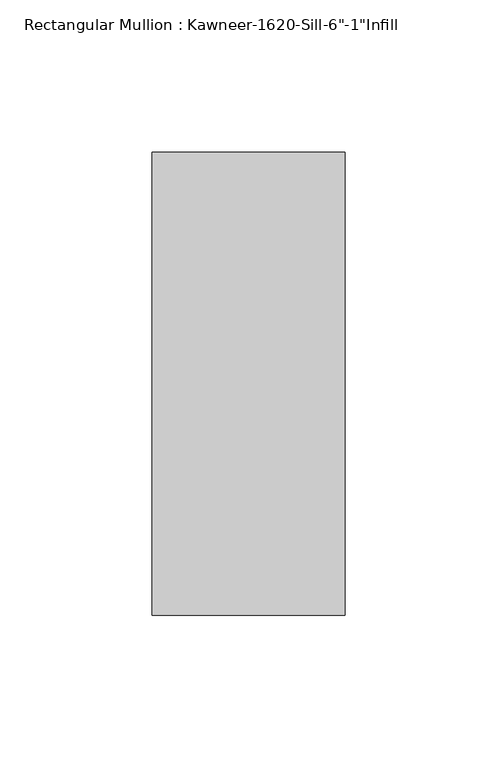
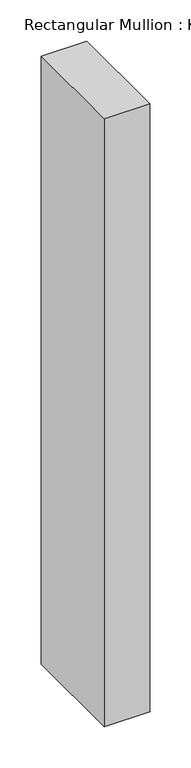
"""IFC4 building model written with IfcOpenShell, lengths in millimetres: member geometry."""

from ifc_helpers import new_model, si_unit, frame, origin, place, context, project, spatial, polyline, outline, extrude, source, transform, mapped, element, save


def member_40a159fc(model_context):
    return source(origin(), model_context, "Body", "SweptSolid", [
        extrude(outline(polyline([(-63.5, 38.1), (0.0, 38.1), (0.0, -114.3), (-63.5, -114.3), (-63.5, 38.1)])), frame((0.0, 0.0, -898.525), z_axis=(0.0, 0.0, 1.0), x_axis=(1.0, 0.0, 0.0)), (0.0, 0.0, 1.0), 898.525),
    ])


if __name__ == "__main__":
    model = new_model("IFC4")
    model_context = context("Model", 3, world=origin())
    ifc_project = project(units=[si_unit("LENGTHUNIT", "METRE", prefix="MILLI")], contexts=[model_context])
    site = spatial("IfcSite", under=ifc_project)
    building = spatial("IfcBuilding", under=site)
    placement = place(None, origin())
    member_shape = member_40a159fc(model_context)
    element("IfcMember", 1, ObjectType="Rectangular Mullion : Kawneer-1620-Sill-6\"-1\"Infill", at=placement, inside=building, context=model_context, shape_type="MappedRepresentation", body=[
        mapped(member_shape, transform((0.0, 0.0, 0.0), x_axis=(1.0, 0.0, 0.0), y_axis=(0.0, 1.0, 0.0), z_axis=(0.0, 0.0, 1.0))),
    ])
    save(model, "model.ifc")
